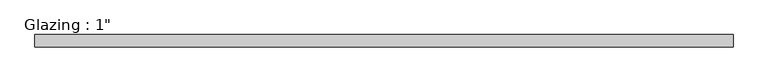
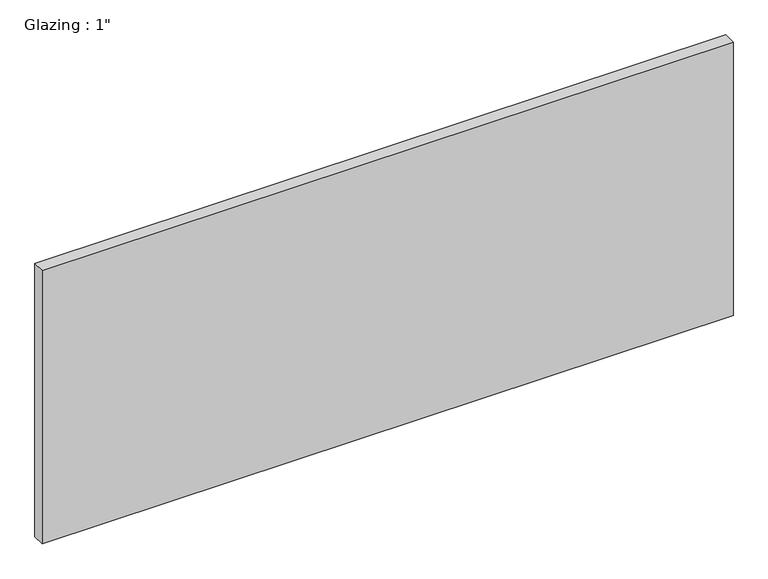
"""IFC4 building model written with IfcOpenShell, lengths in millimetres: plate geometry."""

from ifc_helpers import new_model, si_unit, origin, origin_with_axes, place, context, project, spatial, polyline, outline, extrude, source, transform, mapped, element, save


def plate_52d74bf8(model_context):
    return source(origin(), model_context, "Body", "SweptSolid", [
        extrude(outline(polyline([(709.0776675, -12.7), (-709.0776675, -12.7), (-709.0776675, 12.7), (709.0776675, 12.7), (709.0776675, -12.7)])), origin_with_axes(), (0.0, 0.0, 1.0), 593.7249245),
    ])


if __name__ == "__main__":
    model = new_model("IFC4")
    model_context = context("Model", 3, world=origin())
    ifc_project = project(units=[si_unit("LENGTHUNIT", "METRE", prefix="MILLI")], contexts=[model_context])
    site = spatial("IfcSite", under=ifc_project)
    building = spatial("IfcBuilding", under=site)
    placement = place(None, origin())
    plate_shape = plate_52d74bf8(model_context)
    element("IfcPlate", 1, ObjectType="Glazing : 1\"", at=placement, inside=building, context=model_context, shape_type="MappedRepresentation", body=[
        mapped(plate_shape, transform((0.0, 0.0, 0.0), x_axis=(1.0, 0.0, 0.0), y_axis=(0.0, 1.0, 0.0), z_axis=(0.0, 0.0, 1.0))),
    ])
    save(model, "model.ifc")
